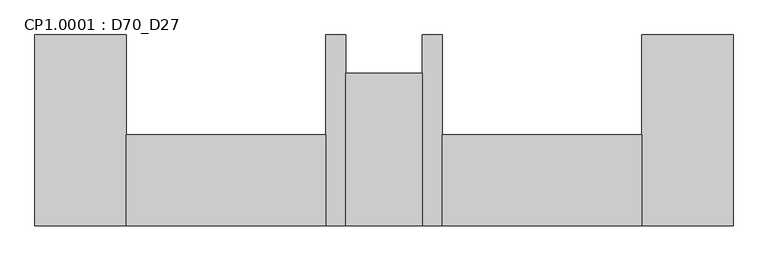
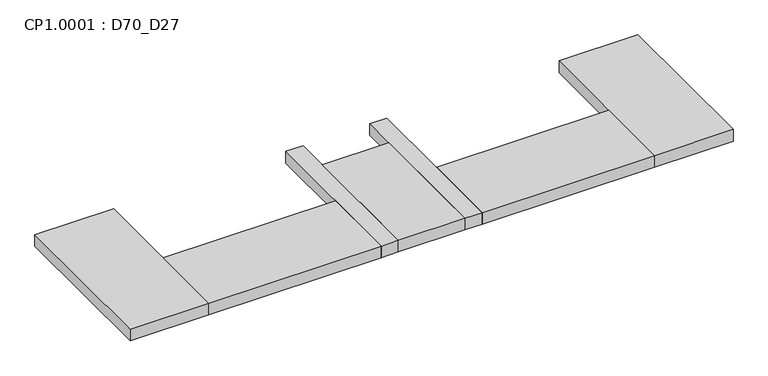
"""IFC4 building model written with IfcOpenShell, lengths in millimetres: proxy geometry, CP1.0001 : D70_D27."""

from ifc_helpers import new_model, si_unit, origin, origin_with_axes, place, context, project, spatial, polyline, outline, extrude, source, transform, mapped, element, save


def cp1_0001_d70_d27_dcde789b(model_context):
    return source(origin(), model_context, "Body", "SweptSolid", [
        extrude(outline(polyline([(-1870.0, 1650.0), (-1870.0, 1330.0), (-2570.0, 1330.0), (-2570.0, 1650.0), (-1870.0, 1650.0)])), origin_with_axes(), (0.0, 0.0, 1.0), 50.0),
        extrude(outline(polyline([(-2640.0, 1865.0), (-2640.0, 1330.0), (-2910.0, 1330.0), (-2910.0, 1865.0), (-2640.0, 1865.0)])), origin_with_axes(), (0.0, 0.0, 1.0), 50.0),
        extrude(outline(polyline([(-2980.0, 1650.0), (-2980.0, 1330.0), (-3680.0, 1330.0), (-3680.0, 1650.0), (-2980.0, 1650.0)])), origin_with_axes(), (0.0, 0.0, 1.0), 50.0),
        extrude(outline(polyline([(-1550.0, 2000.0), (-1550.0, 1330.0), (-1870.0, 1330.0), (-1870.0, 2000.0), (-1550.0, 2000.0)])), origin_with_axes(), (0.0, 0.0, 1.0), 50.0),
        extrude(outline(polyline([(-2570.0, 2000.0), (-2570.0, 1330.0), (-2640.0, 1330.0), (-2640.0, 2000.0), (-2570.0, 2000.0)])), origin_with_axes(), (0.0, 0.0, 1.0), 50.0),
        extrude(outline(polyline([(-2910.0, 2000.0), (-2910.0, 1330.0), (-2980.0, 1330.0), (-2980.0, 2000.0), (-2910.0, 2000.0)])), origin_with_axes(), (0.0, 0.0, 1.0), 50.0),
        extrude(outline(polyline([(-3680.0, 2000.0), (-3680.0, 1330.0), (-4000.0, 1330.0), (-4000.0, 2000.0), (-3680.0, 2000.0)])), origin_with_axes(), (0.0, 0.0, 1.0), 50.0),
    ])


if __name__ == "__main__":
    model = new_model("IFC4")
    model_context = context("Model", 3, world=origin())
    ifc_project = project(units=[si_unit("LENGTHUNIT", "METRE", prefix="MILLI")], contexts=[model_context])
    site = spatial("IfcSite", under=ifc_project)
    building = spatial("IfcBuilding", under=site)
    placement = place(None, origin())
    cp1_0001_d70_d27_shape = cp1_0001_d70_d27_dcde789b(model_context)
    element("IfcBuildingElementProxy", 1, Name="CP1.0001 : D70_D27", ObjectType="CP1.0001 : D70_D27", at=placement, inside=building, context=model_context, shape_type="MappedRepresentation", body=[
        mapped(cp1_0001_d70_d27_shape, transform((0.0, 0.0, 0.0), x_axis=(1.0, 0.0, 0.0), y_axis=(0.0, 1.0, 0.0), z_axis=(0.0, 0.0, 1.0))),
    ])
    save(model, "model.ifc")
